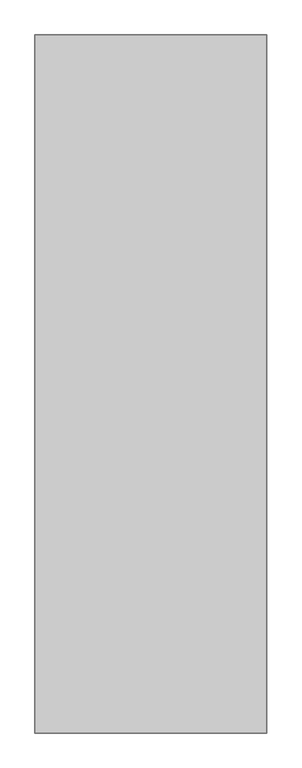
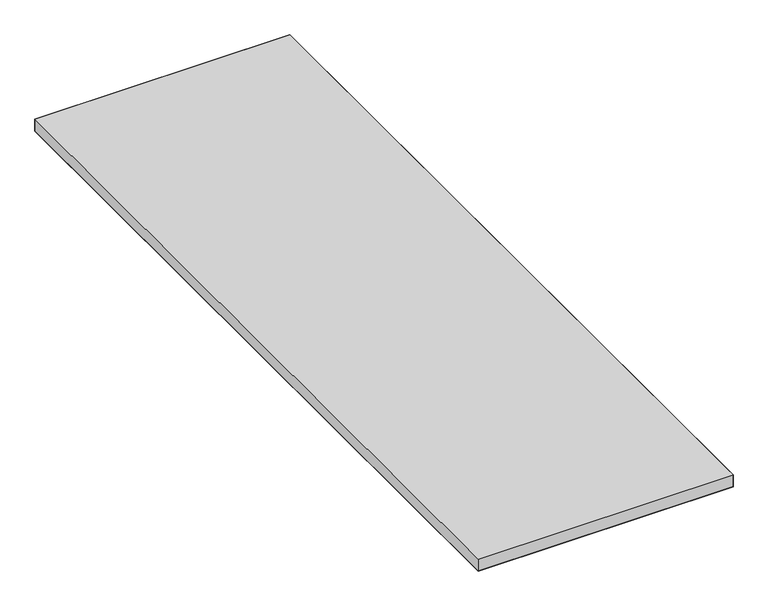
"""IFC4 building model written with IfcOpenShell, lengths in millimetres: furniture geometry."""

from ifc_helpers import new_model, si_unit, origin, place, context, project, spatial, triangles, source, transform, mapped, element, save


def furniture_77c2b180(model_context):
    return source(origin(), model_context, "Body", "Tessellation", [
        triangles([(608.0760015, -1827.2759651, 725.4227995), (608.0760015, -1.524, 725.4227995), (1.524, -1.524, 725.4227995), (1.524, -1827.2759651, 725.4227995), (1.524, -1.524, 695.5523844), (608.0760015, -1.524, 695.5523844), (608.0760015, -1827.2759651, 695.5523844), (1.524, -1827.2759651, 695.5523844)], [[1, 2, 3], [1, 3, 4], [5, 6, 7], [5, 7, 8]], closed=False),
        triangles([(1.524, -1.524, 725.4227995), (608.0760015, -1.524, 725.4227995), (608.0760015, -1.524, 695.5523844), (1.524, -1.524, 695.5523844), (608.0760015, -1827.2759651, 695.5523844), (608.0760015, -1827.2759651, 725.4227995), (1.524, -1827.2759651, 725.4227995), (1.524, -1827.2759651, 695.5523844)], [[1, 2, 3], [1, 3, 4], [5, 6, 7], [5, 7, 8], [7, 1, 4], [7, 4, 8], [3, 2, 6], [3, 6, 5]], closed=False),
    ])


if __name__ == "__main__":
    model = new_model("IFC4")
    model_context = context("Model", 3, world=origin())
    ifc_project = project(units=[si_unit("LENGTHUNIT", "METRE", prefix="MILLI")], contexts=[model_context])
    site = spatial("IfcSite", under=ifc_project)
    building = spatial("IfcBuilding", under=site)
    placement = place(None, origin())
    furniture_shape = furniture_77c2b180(model_context)
    element("IfcFurniture", 1, at=placement, inside=building, context=model_context, shape_type="MappedRepresentation", body=[
        mapped(furniture_shape, transform((0.0, 0.0, 0.0), x_axis=(1.0, 0.0, 0.0), y_axis=(0.0, 1.0, 0.0), z_axis=(0.0, 0.0, 1.0))),
    ])
    save(model, "model.ifc")
